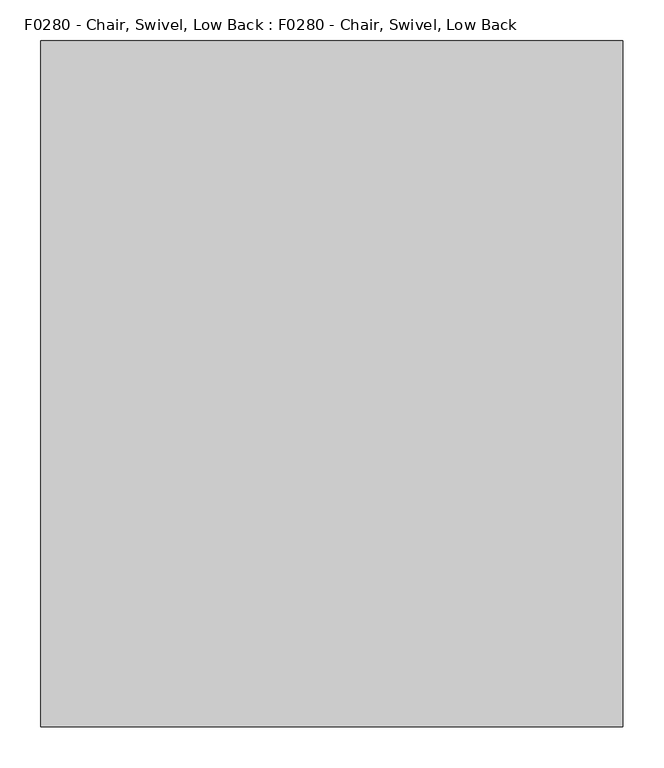
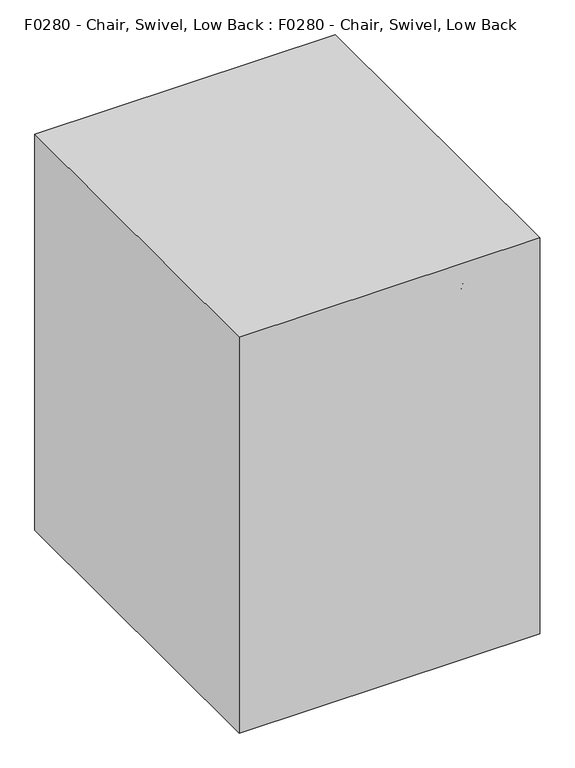
"""IFC4 building model written with IfcOpenShell, lengths in millimetres: proxy geometry, F0280 - Chair, Swivel, Low Back : F0280 - Chair, Swivel, Low Back."""

from ifc_helpers import new_model, si_unit, point, frame, frame_2d, origin, origin_with_axes, origin_2d, place, context, project, spatial, polyline, circle_curve, ellipse_curve, trimmed, segment, composite_curve, outline, extrude, source, transform, mapped, element, save
from ifc_brep_helpers import plane_surface, cylinder_surface, revolved_surface, advanced_brep


def f0280_chair_swivel_low_back_f0280_chair_swivel_low_back_8651f157(model_context):
    return source(origin(), model_context, "Body", "SolidModel", [
        advanced_brep(
        [(20.5891067, 0.9088165, 158.3164474), (12.606954, -16.2089653, 158.3164474), (12.606954, -16.2089653, 212.7487443), (20.5891067, 0.9088165, 212.7487443), (283.7284885, -121.7950923, 86.0096871), (283.7284885, -121.7950923, 57.6571213), (275.3053581, -138.7072429, 86.2220806), (287.501904, -133.9556376, 82.2734822), (275.3053581, -138.7072429, 57.8258095), (287.501904, -133.9556376, 54.689734)],
        [
            (0, 1),
            (1, 2),
            (2, 3),
            (3, 0),
            (3, 4),
            (4, 5),
            (5, 0),
            (2, 6),
            (6, 7, ellipse_curve(frame((278.918781, -129.9532617, 86.4074773), z_axis=(0.3625792018206629, -0.16907345849670724, 0.9164881276039822), x_axis=(0.8306203267741233, -0.3873246193939933, -0.40006188516396646)), 10.333389, 9.4704283)),
            (7, 4, ellipse_curve(frame((278.918781, -129.9532617, 86.4074773), z_axis=(0.3625792018206629, -0.16907345849670724, 0.9164881276039822), x_axis=(0.8306203267741233, -0.3873246193939933, -0.40006188516396646)), 10.333389, 9.4704283)),
            (1, 8),
            (8, 6),
            (5, 9, ellipse_curve(frame((278.918781, -129.9532617, 57.9730562), z_axis=(-0.2968743688836678, 0.13843479172039067, -0.9448287768380342), x_axis=(0.8563056778646188, -0.3993018953098915, -0.3275646233321667)), 10.0234334, 9.4704283)),
            (9, 8, ellipse_curve(frame((278.918781, -129.9532617, 57.9730562), z_axis=(-0.2968743688836678, 0.13843479172039067, -0.9448287768380342), x_axis=(0.8563056778646188, -0.3993018953098915, -0.3275646233321667)), 10.0234334, 9.4704283)),
            (9, 7),
        ],
        [
            plane_surface(frame((16.5980304, -7.6500744, 185.5325958), z_axis=(-0.9063077870366449, 0.42261826174071043, 0.0), x_axis=(-0.42261826174071043, -0.9063077870366449, 0.0))),
            plane_surface(frame((20.5891067, 0.9088165, 185.5325958), z_axis=(0.4226182617407104, 0.9063077870366448, 0.0), x_axis=(0.0, 0.0, 1.0))),
            plane_surface(frame((16.5980304, -7.6500744, 212.7487443), z_axis=(0.36257920182066294, -0.16907345849670727, 0.9164881276039825), x_axis=(-0.42261826174071043, -0.9063077870366449, 0.0))),
            plane_surface(frame((12.606954, -16.2089653, 185.5325958), z_axis=(-0.4226182617407102, -0.906307787036645, 0.0), x_axis=(0.0, 0.0, -1.0))),
            plane_surface(frame((16.5980304, -7.6500744, 158.3164474), z_axis=(-0.29687436888366786, 0.1384347917203907, -0.9448287768380345), x_axis=(0.42261826174071043, 0.9063077870366449, 0.0))),
            cylinder_surface(frame((278.918781, -129.9532617, 0.0), z_axis=(0.0, 0.0, -1.0000000000000002), x_axis=(-0.9063077870366449, 0.42261826174071043, 0.0)), 9.4704283),
        ],
        [
            (0, [[1, 2, 3, 4]]),
            (1, [[-4, 5, 6, 7]]),
            (2, [[-3, 8, 9, 10, -5]]),
            (3, [[-2, 11, 12, -8]]),
            (4, [[-1, -7, 13, 14, -11]]),
            (5, [[15, -9, -12, -14]]),
            (5, [[-15, -13, -6, -10]]),
        ],
    ),
        extrude(outline(composite_curve([segment(trimmed(circle_curve(frame_2d((-0.4565328, 0.2009494)), 25.4), [point((24.9434672, 0.2009494))], [point((-25.8565328, 0.2009494))], False, "CARTESIAN"), True, "CONTINUOUS"), segment(trimmed(circle_curve(frame_2d((-0.4565328, 0.2009494)), 25.4), [point((-25.8565328, 0.2009494))], [point((24.9434672, 0.2009494))], False, "CARTESIAN"), True, "CONTINUOUS")], self_intersect=False)), frame((0.0, 0.0, 154.0271692), z_axis=(0.0, 0.0, 1.0), x_axis=(1.0, 0.0, 0.0)), (0.0, 0.0, 1.0), 58.7215752),
        advanced_brep(
        [(-229.5082147, -191.2947504, 328.6387079), (232.0214447, -190.8605661, 328.5937403), (236.3508412, -215.7557493, 331.1720849), (-229.5082147, -216.926585, 331.293346), (-229.5082147, -284.2177228, 855.6310718), (-229.5082147, -307.3958289, 844.3699241), (236.3508412, -306.337077, 844.8843217), (232.0214447, -283.8251028, 855.8218273)],
        [
            (0, 1, circle_curve(frame((0.0, 1130.5045098, 191.7425871), z_axis=(0.0, 0.10301698777210262, 0.9946795967699159), x_axis=(-1.0, 0.0, 0.0)), 1348.5428628)),
            (1, 2, circle_curve(frame((232.0214447, -203.6806144, 329.9214872), z_axis=(0.0, -0.10301698777210262, -0.9946795967699159), x_axis=(-1.0, 0.0, 0.0)), 12.888621)),
            (2, 3, circle_curve(frame((0.0, 1130.5045098, 191.7425871), z_axis=(0.0, -0.10301698777210262, -0.9946795967699159), x_axis=(-1.0, 0.0, 0.0)), 1373.9428628)),
            (3, 0, circle_curve(frame((-229.5082147, -204.1106677, 329.9660269), z_axis=(0.0, -0.10301698777210262, -0.9946795967699159), x_axis=(-1.0, 0.0, 0.0)), 12.8844679)),
            (4, 5, circle_curve(frame((-229.5082147, -295.8067759, 850.0004979), z_axis=(0.0, -0.4370047614753844, 0.8994591922082082), x_axis=(-1.0, 0.0, 0.0)), 12.8844679)),
            (5, 6, circle_curve(frame((0.0, 911.0460573, 1436.3533187), z_axis=(0.0, -0.4370047614753844, 0.8994591922082082), x_axis=(-1.0, 0.0, 0.0)), 1373.9428628)),
            (6, 7, circle_curve(frame((232.0214447, -295.4178914, 850.1894385), z_axis=(0.0, -0.4370047614753844, 0.8994591922082082), x_axis=(-1.0, 0.0, 0.0)), 12.888621)),
            (7, 4, circle_curve(frame((0.0, 911.0460573, 1436.3533187), z_axis=(0.0, 0.4370047614753844, -0.8994591922082082), x_axis=(-1.0, 0.0, 0.0)), 1348.5428628)),
            (7, 1, circle_curve(frame((232.0214447, -1161.9751957, 429.1701512), z_axis=(-1.0, 0.0, 0.0), x_axis=(0.0, 0.9946795967699159, -0.10301698777210261)), 976.308987)),
            (0, 4, circle_curve(frame((-229.5082147, -1161.9751957, 429.1701512), z_axis=(1.0, 0.0, 0.0), x_axis=(0.0, 0.9946795967699159, -0.10301698777210261)), 975.8724803)),
            (6, 2, circle_curve(frame((236.3508412, -1161.9751957, 429.1701512), z_axis=(-1.0, 0.0, 0.0), x_axis=(0.0, 0.9946795967699159, -0.10301698777210261)), 951.280643)),
            (5, 3, circle_curve(frame((-229.5082147, -1161.9751957, 429.1701512), z_axis=(-1.0, 0.0, 0.0), x_axis=(0.0, 0.9946795967699159, -0.10301698777210261)), 950.1035446)),
        ],
        [
            plane_surface(frame((-317.5, -173.1564347, 326.7601586), z_axis=(0.0, -0.10301698777210258, -0.994679596769916), x_axis=(-1.0, 0.0, 0.0))),
            plane_surface(frame((-317.5, -267.815783, 863.6), z_axis=(0.0, -0.4370047614753844, 0.8994591922082082), x_axis=(-1.0, 0.0, 0.0))),
            revolved_surface(trimmed(ellipse_curve(frame((0.0, 1130.5045098, 191.7425871), z_axis=(0.0, 0.10301698777210262, 0.9946795967699159), x_axis=(-1.0, 0.0, 0.0)), 1348.5428628, 1348.5428628), [point((-229.5082147, -191.2947504, 328.6387079))], [point((232.0214447, -190.8605661, 328.5937403))], True, "CARTESIAN"), (-317.5, -1161.9751957, 429.1701512), (1.0, 0.0, 0.0)),
            revolved_surface(trimmed(ellipse_curve(frame((232.0214447, -203.6806144, 329.9214872), z_axis=(0.0, -0.10301698777210262, -0.9946795967699159), x_axis=(-1.0, 0.0, 0.0)), 12.888621, 12.888621), [point((232.0214447, -190.8605661, 328.5937403))], [point((236.3508412, -215.7557493, 331.1720849))], True, "CARTESIAN"), (-317.5, -1161.9751957, 429.1701512), (1.0, 0.0, 0.0)),
            revolved_surface(trimmed(ellipse_curve(frame((0.0, 1130.5045098, 191.7425871), z_axis=(0.0, -0.10301698777210262, -0.9946795967699159), x_axis=(-1.0, 0.0, 0.0)), 1373.9428628, 1373.9428628), [point((236.3508412, -215.7557493, 331.1720849))], [point((-229.5082147, -216.926585, 331.293346))], True, "CARTESIAN"), (-317.5, -1161.9751957, 429.1701512), (1.0, 0.0, 0.0)),
            revolved_surface(trimmed(ellipse_curve(frame((-229.5082147, -204.1106677, 329.9660269), z_axis=(0.0, -0.10301698777210262, -0.9946795967699159), x_axis=(-1.0, 0.0, 0.0)), 12.8844679, 12.8844679), [point((-229.5082147, -216.926585, 331.293346))], [point((-229.5082147, -191.2947504, 328.6387079))], True, "CARTESIAN"), (-317.5, -1161.9751957, 429.1701512), (1.0, 0.0, 0.0)),
        ],
        [
            (0, [[1, 2, 3, 4]]),
            (1, [[5, 6, 7, 8]]),
            (2, [[9, -1, 10, -8]]),
            (3, [[11, -2, -9, -7]]),
            (4, [[12, -3, -11, -6]]),
            (5, [[-10, -4, -12, -5]]),
        ],
    ),
        extrude(outline(composite_curve([segment(polyline([(-213.079753, -174.0379297), (-213.079753, 182.9075832)]), True, "CONTINUOUS"), segment(trimmed(circle_curve(frame_2d((-186.3342402, 182.9075832)), 26.7455128), [point((-213.079753, 182.9075832))], [point((-186.3342402, 209.653096))], False, "CARTESIAN"), True, "CONTINUOUS"), segment(polyline([(-186.3342402, 209.653096), (194.6657598, 209.653096)]), True, "CONTINUOUS"), segment(trimmed(circle_curve(frame_2d((194.6657598, 182.9075832)), 26.7455128), [point((194.6657598, 209.653096))], [point((221.4112726, 182.9075832))], False, "CARTESIAN"), True, "CONTINUOUS"), segment(polyline([(221.4112726, 182.9075832), (221.4112726, -174.0379297), (-213.079753, -174.0379297)]), True, "CONTINUOUS")], self_intersect=False)), frame((0.0, 0.0, 324.0440254), z_axis=(0.0, 0.0, 1.0), x_axis=(1.0, 0.0, 0.0)), (0.0, 0.0, 1.0), 67.8491407),
        advanced_brep(
        [(-213.079753, -172.6924168, 391.8931661), (-211.7342402, -174.0379297, 391.8931661), (-211.7342402, -174.0379297, 324.0440254), (-213.079753, -172.6924168, 324.0440254), (-213.079753, 182.9075832, 324.0440254), (-213.079753, 182.9075832, 391.8931661), (-186.3342402, 209.653096, 391.8931661), (-186.3342402, 209.653096, 324.0440254), (194.6657598, 209.653096, 324.0440254), (194.6657598, 209.653096, 391.8931661), (221.4112726, 182.9075832, 391.8931661), (221.4112726, 182.9075832, 324.0440254), (221.4112726, -172.6924168, 324.0440254), (221.4112726, -172.6924168, 391.8931661), (220.0657598, -174.0379297, 391.8931661), (220.0657598, -174.0379297, 324.0440254)],
        [
            (0, 1, circle_curve(frame((-211.7342402, -172.6924168, 391.8931661), z_axis=(0.0, 0.0, 1.0), x_axis=(0.0, -1.0, 0.0)), 1.3455128)),
            (1, 2),
            (2, 3, circle_curve(frame((-211.7342402, -172.6924168, 324.0440254), z_axis=(0.0, 0.0, -1.0), x_axis=(0.0, -1.0, 0.0)), 1.3455128)),
            (3, 0),
            (2, 1, circle_curve(frame((-211.7342402, -174.0379297, 357.9685958), z_axis=(-1.0, 0.0, 0.0), x_axis=(0.0, 1.0, 0.0)), 33.9245703)),
            (0, 3, circle_curve(frame((-213.079753, -172.6924168, 357.9685958), z_axis=(0.0, -1.0, 0.0), x_axis=(1.0, 0.0, 0.0)), 33.9245703)),
            (3, 4),
            (4, 5),
            (5, 0),
            (5, 4, circle_curve(frame((-213.079753, 182.9075832, 357.9685958), z_axis=(0.0, -1.0, 0.0), x_axis=(1.0, 0.0, 0.0)), 33.9245703)),
            (6, 5, circle_curve(frame((-186.3342402, 182.9075832, 391.8931661), z_axis=(0.0, 0.0, 1.0), x_axis=(-1.0, 0.0, 0.0)), 26.7455128)),
            (4, 7, circle_curve(frame((-186.3342402, 182.9075832, 324.0440254), z_axis=(0.0, 0.0, -1.0), x_axis=(-1.0, 0.0, 0.0)), 26.7455128)),
            (7, 6),
            (6, 7, circle_curve(frame((-186.3342402, 209.653096, 357.9685958), z_axis=(-1.0, 0.0, 0.0), x_axis=(0.0, -1.0, 0.0)), 33.9245703)),
            (7, 8),
            (8, 9),
            (9, 6),
            (9, 8, circle_curve(frame((194.6657598, 209.653096, 357.9685958), z_axis=(-1.0, 0.0, 0.0), x_axis=(0.0, -1.0, 0.0)), 33.9245703)),
            (10, 9, circle_curve(frame((194.6657598, 182.9075832, 391.8931661), z_axis=(0.0, 0.0, 1.0), x_axis=(0.0, 1.0, 0.0)), 26.7455128)),
            (8, 11, circle_curve(frame((194.6657598, 182.9075832, 324.0440254), z_axis=(0.0, 0.0, -1.0), x_axis=(0.0, 1.0, 0.0)), 26.7455128)),
            (11, 10),
            (10, 11, circle_curve(frame((221.4112726, 182.9075832, 357.9685958), z_axis=(0.0, 1.0, 0.0), x_axis=(-1.0, 0.0, 0.0)), 33.9245703)),
            (11, 12),
            (12, 13),
            (13, 10),
            (13, 12, circle_curve(frame((221.4112726, -172.6924168, 357.9685958), z_axis=(0.0, 1.0, 0.0), x_axis=(-1.0, 0.0, 0.0)), 33.9245703)),
            (14, 13, circle_curve(frame((220.0657598, -172.6924168, 391.8931661), z_axis=(0.0, 0.0, 1.0), x_axis=(1.0, 0.0, 0.0)), 1.3455128)),
            (12, 15, circle_curve(frame((220.0657598, -172.6924168, 324.0440254), z_axis=(0.0, 0.0, -1.0), x_axis=(1.0, 0.0, 0.0)), 1.3455128)),
            (15, 14),
            (14, 15, circle_curve(frame((220.0657598, -174.0379297, 357.9685958), z_axis=(1.0, 0.0, 0.0), x_axis=(0.0, 1.0, 0.0)), 33.9245703)),
            (15, 2),
            (1, 14),
        ],
        [
            revolved_surface(polyline([(-211.7342402, -174.03792959999998, 324.0440254), (-211.7342402, -174.03792959999998, 391.8931661)]), (-211.7342402, -172.6924168, 0.0), (0.0, 0.0, -1.0)),
            revolved_surface(trimmed(ellipse_curve(frame((-211.7342402, -174.0379297, 357.9685958), z_axis=(1.0, 0.0, 0.0), x_axis=(0.0, 1.0, 0.0)), 33.9245703, 33.9245703), [point((-211.7342402, -174.0379297, 391.8931661))], [point((-211.7342402, -174.0379297, 324.0440254))], True, "CARTESIAN"), (-211.7342402, -172.6924168, 0.0), (0.0, 0.0, -1.0)),
            plane_surface(frame((-213.079753, -172.6924168, 324.0440254), z_axis=(1.0, 0.0, 0.0), x_axis=(0.0, 1.0, 0.0))),
            cylinder_surface(frame((-213.079753, -172.6924168, 357.9685958), z_axis=(0.0, -1.0, 0.0), x_axis=(1.0, 0.0, 0.0)), 33.9245703),
            revolved_surface(polyline([(-213.079753, 182.9075832, 324.0440254), (-213.079753, 182.9075832, 391.8931661)]), (-186.3342402, 182.9075832, 0.0), (0.0, 0.0, -1.0)),
            revolved_surface(trimmed(ellipse_curve(frame((-213.079753, 182.9075832, 357.9685958), z_axis=(0.0, -1.0, 0.0), x_axis=(1.0, 0.0, 0.0)), 33.9245703, 33.9245703), [point((-213.079753, 182.9075832, 391.8931661))], [point((-213.079753, 182.9075832, 324.0440254))], True, "CARTESIAN"), (-186.3342402, 182.9075832, 0.0), (0.0, 0.0, -1.0)),
            plane_surface(frame((-186.3342402, 209.653096, 324.0440254), z_axis=(0.0, -1.0, 0.0), x_axis=(1.0, 0.0, 0.0))),
            cylinder_surface(frame((-186.3342402, 209.653096, 357.9685958), z_axis=(-1.0, 0.0, 0.0), x_axis=(0.0, -1.0, 0.0)), 33.9245703),
            revolved_surface(polyline([(194.6657598, 209.653096, 324.0440254), (194.6657598, 209.653096, 391.8931661)]), (194.6657598, 182.9075832, 0.0), (0.0, 0.0, -1.0)),
            revolved_surface(trimmed(ellipse_curve(frame((194.6657598, 209.653096, 357.9685958), z_axis=(-1.0, 0.0, 0.0), x_axis=(0.0, -1.0, 0.0)), 33.9245703, 33.9245703), [point((194.6657598, 209.653096, 391.8931661))], [point((194.6657598, 209.653096, 324.0440254))], True, "CARTESIAN"), (194.6657598, 182.9075832, 0.0), (0.0, 0.0, -1.0)),
            plane_surface(frame((221.4112726, 182.9075832, 324.0440254), z_axis=(-1.0, 0.0, 0.0), x_axis=(0.0, -1.0, 0.0))),
            cylinder_surface(frame((221.4112726, 182.9075832, 357.9685958), z_axis=(0.0, 1.0, 0.0), x_axis=(-1.0, 0.0, 0.0)), 33.9245703),
            revolved_surface(polyline([(221.4112726, -172.6924168, 324.0440254), (221.4112726, -172.6924168, 391.8931661)]), (220.0657598, -172.6924168, 0.0), (0.0, 0.0, -1.0)),
            revolved_surface(trimmed(ellipse_curve(frame((221.4112726, -172.6924168, 357.9685958), z_axis=(0.0, 1.0, 0.0), x_axis=(-1.0, 0.0, 0.0)), 33.9245703, 33.9245703), [point((221.4112726, -172.6924168, 391.8931661))], [point((221.4112726, -172.6924168, 324.0440254))], True, "CARTESIAN"), (220.0657598, -172.6924168, 0.0), (0.0, 0.0, -1.0)),
            plane_surface(frame((220.0657598, -174.0379297, 324.0440254), z_axis=(0.0, 1.0, 0.0), x_axis=(-1.0, 0.0, 0.0))),
            cylinder_surface(frame((220.0657598, -174.0379297, 357.9685958), z_axis=(1.0, 0.0, 0.0), x_axis=(0.0, 1.0, 0.0)), 33.9245703),
        ],
        [
            (0, [[1, 2, 3, 4]]),
            (1, [[-3, 5, -1, 6]]),
            (2, [[-4, 7, 8, 9]]),
            (3, [[-6, -9, 10, -7]]),
            (4, [[11, -8, 12, 13]]),
            (5, [[-12, -10, -11, 14]]),
            (6, [[-13, 15, 16, 17]]),
            (7, [[-14, -17, 18, -15]]),
            (8, [[19, -16, 20, 21]]),
            (9, [[-20, -18, -19, 22]]),
            (10, [[-21, 23, 24, 25]]),
            (11, [[-22, -25, 26, -23]]),
            (12, [[27, -24, 28, 29]]),
            (13, [[-28, -26, -27, 30]]),
            (14, [[-29, 31, -2, 32]]),
            (15, [[-30, -32, -5, -31]]),
        ],
    ),
        extrude(outline(composite_curve([segment(trimmed(circle_curve(origin_2d(), 12.7), [point((12.7, 0.0))], [point((-12.7, 0.0))], False, "CARTESIAN"), True, "CONTINUOUS"), segment(trimmed(circle_curve(origin_2d(), 12.7), [point((-12.7, 0.0))], [point((12.7, 0.0))], False, "CARTESIAN"), True, "CONTINUOUS")], self_intersect=False)), frame((0.0, 0.0, 212.7487443), z_axis=(0.0, 0.0, 1.0), x_axis=(1.0, 0.0, 0.0)), (0.0, 0.0, 1.0), 66.217703),
        extrude(outline(polyline([(355.6, 419.1), (355.6, -419.1), (-355.6, -419.1), (-355.6, 419.1), (355.6, 419.1)])), origin_with_axes(), (0.0, 0.0, 1.0), 990.6),
    ])


if __name__ == "__main__":
    model = new_model("IFC4")
    model_context = context("Model", 3, world=origin())
    ifc_project = project(units=[si_unit("LENGTHUNIT", "METRE", prefix="MILLI")], contexts=[model_context])
    site = spatial("IfcSite", under=ifc_project)
    building = spatial("IfcBuilding", under=site)
    placement = place(None, origin())
    f0280_chair_swivel_low_back_f0280_chair_swivel_low_back_shape = f0280_chair_swivel_low_back_f0280_chair_swivel_low_back_8651f157(model_context)
    element("IfcBuildingElementProxy", 1, Name="F0280 - Chair, Swivel, Low Back : F0280 - Chair, Swivel, Low Back", ObjectType="F0280 - Chair, Swivel, Low Back : F0280 - Chair, Swivel, Low Back", at=placement, inside=building, context=model_context, shape_type="MappedRepresentation", body=[
        mapped(f0280_chair_swivel_low_back_f0280_chair_swivel_low_back_shape, transform((0.0, 0.0, 0.0), x_axis=(1.0, 0.0, 0.0), y_axis=(0.0, 1.0, 0.0), z_axis=(0.0, 0.0, 1.0))),
    ])
    save(model, "model.ifc")
